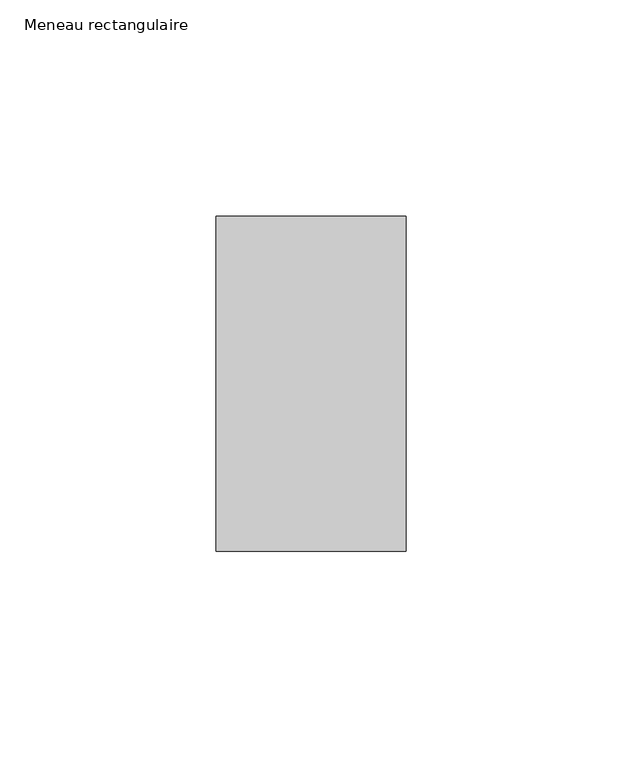
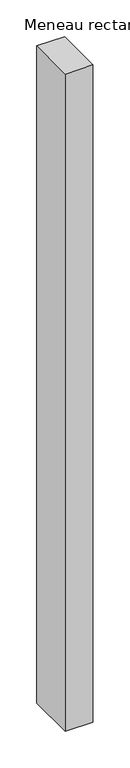
"""IFC4 building model written with IfcOpenShell, lengths in millimetres: member geometry, Meneau rectangulaire."""

from ifc_helpers import new_model, si_unit, frame, origin, place, context, project, spatial, polyline, outline, extrude, source, transform, mapped, element, save


def meneau_rectangulaire_21381d96(model_context):
    return source(origin(), model_context, "Body", "SweptSolid", [
        extrude(outline(polyline([(-44.0, 38.75), (0.0, 38.75), (0.0, -38.75), (-44.0, -38.75), (-44.0, 38.75)])), frame((0.0, 0.0, -1094.6250002), z_axis=(0.0, 0.0, 1.0), x_axis=(1.0, 0.0, 0.0)), (0.0, 0.0, 1.0), 1094.6250002),
    ])


if __name__ == "__main__":
    model = new_model("IFC4")
    model_context = context("Model", 3, world=origin())
    ifc_project = project(units=[si_unit("LENGTHUNIT", "METRE", prefix="MILLI")], contexts=[model_context])
    site = spatial("IfcSite", under=ifc_project)
    building = spatial("IfcBuilding", under=site)
    placement = place(None, origin())
    meneau_rectangulaire_shape = meneau_rectangulaire_21381d96(model_context)
    element("IfcMember", 1, ObjectType="Meneau rectangulaire", at=placement, inside=building, context=model_context, shape_type="MappedRepresentation", body=[
        mapped(meneau_rectangulaire_shape, transform((0.0, 0.0, 0.0), x_axis=(1.0, 0.0, 0.0), y_axis=(0.0, 1.0, 0.0), z_axis=(0.0, 0.0, 1.0))),
    ])
    save(model, "model.ifc")
